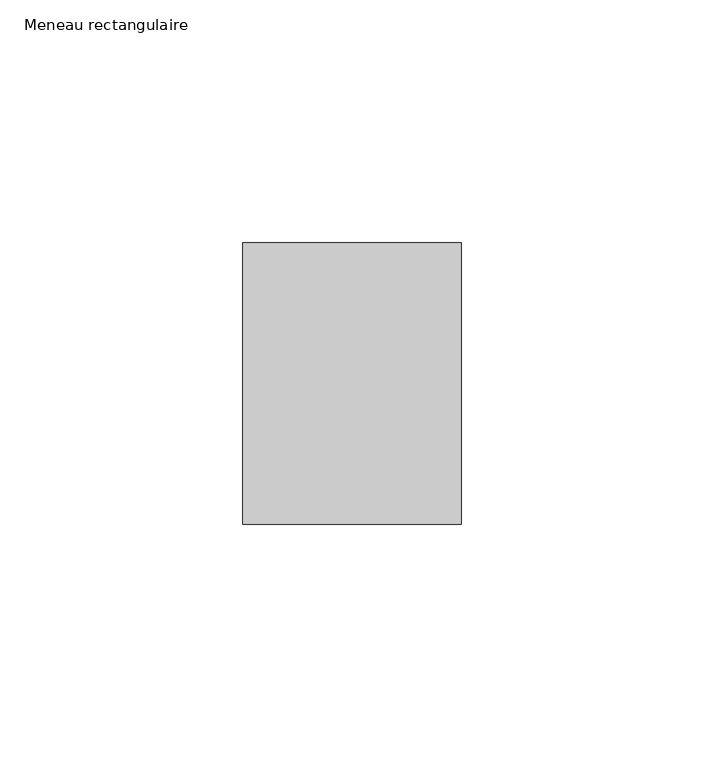
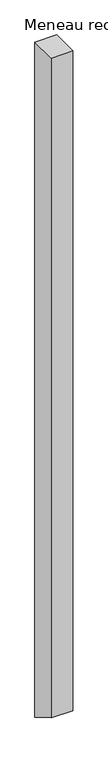
"""IFC4 building model written with IfcOpenShell, lengths in millimetres: member geometry, Meneau rectangulaire."""

from ifc_helpers import new_model, si_unit, frame, origin, place, context, project, spatial, polyline, outline, extrude, source, transform, mapped, element, save


def meneau_rectangulaire_46e9a5de(model_context):
    return source(origin(), model_context, "Body", "SweptSolid", [
        extrude(outline(polyline([(-29.0, 0.0), (29.0, 0.0), (29.0, -1484.9992318), (-29.0, -1451.5129162), (-29.0, 0.0)])), frame((-45.0, 0.0, 0.0), z_axis=(1.0, 0.0, 0.0), x_axis=(0.0, 1.0, 0.0)), (0.0, 0.0, 1.0), 45.0),
    ])


if __name__ == "__main__":
    model = new_model("IFC4")
    model_context = context("Model", 3, world=origin())
    ifc_project = project(units=[si_unit("LENGTHUNIT", "METRE", prefix="MILLI")], contexts=[model_context])
    site = spatial("IfcSite", under=ifc_project)
    building = spatial("IfcBuilding", under=site)
    placement = place(None, origin())
    meneau_rectangulaire_shape = meneau_rectangulaire_46e9a5de(model_context)
    element("IfcMember", 1, ObjectType="Meneau rectangulaire", at=placement, inside=building, context=model_context, shape_type="MappedRepresentation", body=[
        mapped(meneau_rectangulaire_shape, transform((0.0, 0.0, 0.0), x_axis=(1.0, 0.0, 0.0), y_axis=(0.0, 1.0, 0.0), z_axis=(0.0, 0.0, 1.0))),
    ])
    save(model, "model.ifc")
